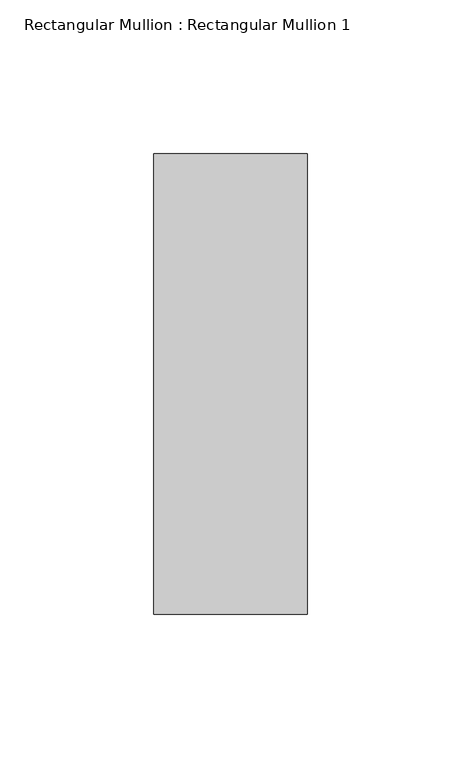
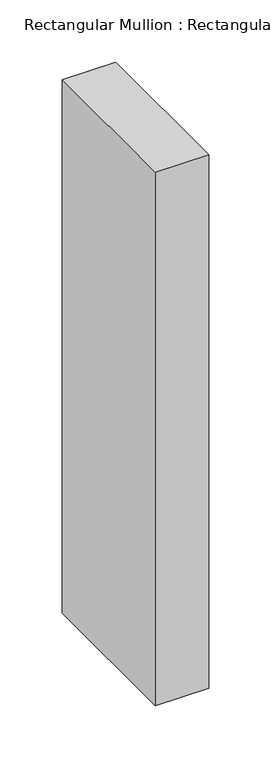
"""IFC4 building model written with IfcOpenShell, lengths in millimetres: member geometry, Rectangular Mullion : Rectangular Mullion 1."""

from ifc_helpers import new_model, si_unit, frame, origin, place, context, project, spatial, polyline, outline, extrude, source, transform, mapped, element, save


def rectangular_mullion_rectangular_mullion_1_5b5377e9(model_context):
    return source(origin(), model_context, "Body", "SweptSolid", [
        extrude(outline(polyline([(0.0, 75.0), (0.0, -75.0), (-50.0, -75.0), (-50.0, 75.0), (0.0, 75.0)])), frame((0.0, 0.0, -525.0), z_axis=(0.0, 0.0, 1.0), x_axis=(1.0, 0.0, 0.0)), (0.0, 0.0, 1.0), 525.0),
    ])


if __name__ == "__main__":
    model = new_model("IFC4")
    model_context = context("Model", 3, world=origin())
    ifc_project = project(units=[si_unit("LENGTHUNIT", "METRE", prefix="MILLI")], contexts=[model_context])
    site = spatial("IfcSite", under=ifc_project)
    building = spatial("IfcBuilding", under=site)
    placement = place(None, origin())
    rectangular_mullion_rectangular_mullion_1_shape = rectangular_mullion_rectangular_mullion_1_5b5377e9(model_context)
    element("IfcMember", 1, ObjectType="Rectangular Mullion : Rectangular Mullion 1", at=placement, inside=building, context=model_context, shape_type="MappedRepresentation", body=[
        mapped(rectangular_mullion_rectangular_mullion_1_shape, transform((0.0, 0.0, 0.0), x_axis=(1.0, 0.0, 0.0), y_axis=(0.0, 1.0, 0.0), z_axis=(0.0, 0.0, 1.0))),
    ])
    save(model, "model.ifc")
